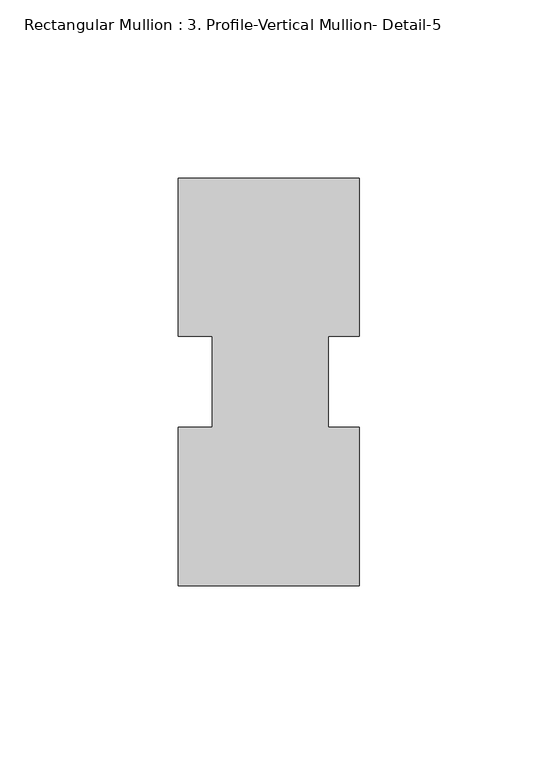
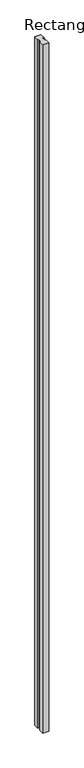
"""IFC4 building model written with IfcOpenShell, lengths in millimetres: member geometry, Rectangular Mullion : 3. Profile-Vertical Mullion- Detail-5."""

import ifcopenshell
import ifcopenshell.guid

model = None  # the IFC model being written
_history = None  # IfcOwnerHistory: only IFC2X3 demands one
_inside = {}  # id of a spatial element -> (the spatial element, [elements in it])
_under = {}  # id of a project, library or spatial element -> (it, [spatial elements below it])
_declared = {}  # id of a project -> (the project, [libraries it declares])
_typed = {}  # id of a type object -> (the type object, [elements of that type])
_made_of = {}  # id of a material, layer set ... -> (it, [elements and type objects made of it])


def new_model(schema):
    """Start an empty IFC model of exactly this schema.

    Asked for "IFC4X3", IfcOpenShell would pick the latest addendum, in which some entities
    have other attributes; the version numbers below select the first issue.
    IFC2X3 requires an IfcOwnerHistory on every rooted entity: one is made here for all.
    """
    global model, _history
    if schema == "IFC4X3":
        model = ifcopenshell.file(schema_version=(4, 3, 0, 0))
    else:
        model = ifcopenshell.file(schema=schema)
    _inside.clear()
    _under.clear()
    _declared.clear()
    _typed.clear()
    _made_of.clear()
    _history = None
    if model.schema == "IFC2X3":
        org = make("IfcOrganization", Name="unknown")
        user = make(
            "IfcPersonAndOrganization",
            ThePerson=make("IfcPerson", FamilyName="unknown"),
            TheOrganization=org,
        )
        app = make(
            "IfcApplication",
            ApplicationDeveloper=org,
            Version="unknown",
            ApplicationFullName="unknown",
            ApplicationIdentifier="unknown",
        )
        _history = make(
            "IfcOwnerHistory",
            OwningUser=user,
            OwningApplication=app,
            ChangeAction="ADDED",
            CreationDate=0,
        )
    return model


def make(cls, **values):
    """One entity of the class cls with the attributes given. An attribute that is None is left unset."""
    return model.create_entity(
        cls, **{name: value for name, value in values.items() if value is not None}
    )


def rooted(cls, **values):
    """An entity with a GlobalId (a new one), such as an element, a storey or a relation."""
    return make(cls, GlobalId=ifcopenshell.guid.new(), OwnerHistory=_history, **values)


def si_unit(unit_type, name, prefix=None):
    """IfcSIUnit, for example si_unit("LENGTHUNIT", "METRE", prefix="MILLI")."""
    return make("IfcSIUnit", UnitType=unit_type, Prefix=prefix, Name=name)


def assignment(units):
    """IfcUnitAssignment: the units of a project."""
    return None if units is None else make("IfcUnitAssignment", Units=units)


def point(xyz):
    """IfcCartesianPoint."""
    return None if xyz is None else make("IfcCartesianPoint", Coordinates=xyz)


def direction(xyz):
    """IfcDirection."""
    return None if xyz is None else make("IfcDirection", DirectionRatios=xyz)


def frame(location, z_axis=None, x_axis=None):
    """IfcAxis2Placement3D, a coordinate frame: its origin and axes. An axis left out is left unset."""
    return make(
        "IfcAxis2Placement3D",
        Location=point(location),
        Axis=direction(z_axis),
        RefDirection=direction(x_axis),
    )


def origin():
    """The frame at (0, 0, 0) with its axes left unset."""
    return frame((0.0, 0.0, 0.0))


def place(relative_to, where):
    """IfcLocalPlacement: puts the frame where relative to a parent placement (None: the world)."""
    return make(
        "IfcLocalPlacement", PlacementRelTo=relative_to, RelativePlacement=where
    )


def context(
    kind, dimensions, precision=None, world=None, true_north=None, identifier=None
):
    """IfcGeometricRepresentationContext, for example the 3D "Model" context."""
    return make(
        "IfcGeometricRepresentationContext",
        ContextIdentifier=identifier,
        ContextType=kind,
        CoordinateSpaceDimension=dimensions,
        Precision=precision,
        WorldCoordinateSystem=world,
        TrueNorth=true_north,
    )


def project(units=None, contexts=None):
    """IfcProject with its units and contexts."""
    return rooted(
        "IfcProject",
        Name="project",
        RepresentationContexts=contexts,
        UnitsInContext=assignment(units),
    )


def spatial(cls, under=None, at=None, **own):
    """A site, building, storey or space (cls), placed at a placement, below another one or the project."""
    s = rooted(cls, ObjectPlacement=at, **own)
    if under is not None:
        _under.setdefault(under.id(), (under, []))[1].append(s)
    return s


def polyline(points):
    """IfcPolyline through the points."""
    return make("IfcPolyline", Points=[point(p) for p in points])


def outline(outer, holes=None, kind="AREA"):
    """IfcArbitraryClosedProfileDef: a profile drawn as a closed curve; with holes, ...WithVoids."""
    if holes is None:
        return make("IfcArbitraryClosedProfileDef", ProfileType=kind, OuterCurve=outer)
    return make(
        "IfcArbitraryProfileDefWithVoids",
        ProfileType=kind,
        OuterCurve=outer,
        InnerCurves=holes,
    )


def extrude(swept, where, along, depth):
    """IfcExtrudedAreaSolid: the profile swept, set in the frame where, extruded along a direction by depth."""
    return make(
        "IfcExtrudedAreaSolid",
        SweptArea=swept,
        Position=where,
        ExtrudedDirection=direction(along),
        Depth=depth,
    )


def shape(context_of_items, identifier, shape_type, items):
    """IfcShapeRepresentation: the items that make up one representation, for example the "Body"."""
    return make(
        "IfcShapeRepresentation",
        ContextOfItems=context_of_items,
        RepresentationIdentifier=identifier,
        RepresentationType=shape_type,
        Items=items,
    )


def source(mapping_origin, context_of_items, identifier, shape_type, items):
    """IfcRepresentationMap: a shape defined once, which mapped items show again and again."""
    return make(
        "IfcRepresentationMap",
        MappingOrigin=mapping_origin,
        MappedRepresentation=shape(context_of_items, identifier, shape_type, items),
    )


def transform(
    local_origin,
    x_axis=None,
    y_axis=None,
    z_axis=None,
    scale=None,
    scale2=None,
    scale3=None,
    uniform=True,
):
    """IfcCartesianTransformationOperator3D, or its non-uniform kind. x_axis, y_axis, z_axis: its Axis1, 2, 3."""
    if uniform:
        return make(
            "IfcCartesianTransformationOperator3D",
            Axis1=direction(x_axis),
            Axis2=direction(y_axis),
            LocalOrigin=point(local_origin),
            Scale=scale,
            Axis3=direction(z_axis),
        )
    return make(
        "IfcCartesianTransformationOperator3DnonUniform",
        Axis1=direction(x_axis),
        Axis2=direction(y_axis),
        LocalOrigin=point(local_origin),
        Scale=scale,
        Axis3=direction(z_axis),
        Scale2=scale2,
        Scale3=scale3,
    )


def mapped(mapping_source, mapping_target):
    """IfcMappedItem: shows the shape of a source again, moved by a transform."""
    return make(
        "IfcMappedItem", MappingSource=mapping_source, MappingTarget=mapping_target
    )


def made_of(thing, what):
    """Note that an element or type object is made of a material, layer set ...; save() writes the relation."""
    if what is not None:
        _made_of.setdefault(what.id(), (what, []))[1].append(thing)
    return thing


def element(
    cls,
    number,
    at=None,
    inside=None,
    cuts=None,
    type_object=None,
    material=None,
    context=None,
    identifier="Body",
    shape_type=None,
    held_by="IfcProductDefinitionShape",
    body=None,
    shapes=None,
    **own,
):
    """One element of the class cls, such as IfcWall. Its Tag is "e" and its number.

    at: its placement. inside: the storey or other place that contains it. cuts: it is an
    opening in that element (IfcRelVoidsElement). A single representation is given by context,
    identifier, shape_type and body (its items); several are given by shapes. held_by: the class
    of the entity that holds the representations. save() writes the other relations.
    """
    e = rooted(cls, Tag="e%d" % number, ObjectPlacement=at, **own)
    if body is not None:
        shapes = [shape(context, identifier, shape_type, body)]
    if shapes is not None:
        e.Representation = make(held_by, Representations=shapes)
    if inside is not None:
        _inside.setdefault(inside.id(), (inside, []))[1].append(e)
    if cuts is not None:
        rooted(
            "IfcRelVoidsElement", RelatingBuildingElement=cuts, RelatedOpeningElement=e
        )
    if type_object is not None:
        _typed.setdefault(type_object.id(), (type_object, []))[1].append(e)
    return made_of(e, material)


def aggregate(whole, parts):
    """IfcRelAggregates: a whole, such as a stair, and the parts it consists of."""
    return rooted("IfcRelAggregates", RelatingObject=whole, RelatedObjects=parts)


def save(model, path):
    """Write the relations noted so far, then the file.

    IfcRelAggregates (storeys below a building ...), IfcRelContainedInSpatialStructure (elements
    in a storey), IfcRelDefinesByType, IfcRelAssociatesMaterial and IfcRelDeclares: one each for
    every whole, place, type object, material and project.
    """
    for whole, parts in _under.values():
        aggregate(whole, parts)
    for where, things in _inside.values():
        rooted(
            "IfcRelContainedInSpatialStructure",
            RelatedElements=things,
            RelatingStructure=where,
        )
    for kind, things in _typed.values():
        rooted("IfcRelDefinesByType", RelatedObjects=things, RelatingType=kind)
    for what, things in _made_of.values():
        rooted("IfcRelAssociatesMaterial", RelatedObjects=things, RelatingMaterial=what)
    for by, libraries in _declared.values():
        rooted("IfcRelDeclares", RelatingContext=by, RelatedDefinitions=libraries)
    model.write(path)


def rectangular_mullion_3_profile_vertical_mullion_detail_5_e0a02fe3(model_context):
    return source(origin(), model_context, "Body", "SweptSolid", [
        extrude(outline(polyline([(25.4, 33.3375317), (25.4, -11.0186583), (16.66875, -11.0186583), (16.66875, -36.5063567), (25.4, -36.5063567), (25.4, -80.9624683), (-25.4, -80.9623667), (-25.4, -36.5063567), (-15.875, -36.5063567), (-15.875, -11.0186583), (-25.4, -11.0186583), (-25.4, 33.3376333), (25.4, 33.3375317)])), frame((0.0, 0.0, -6114.6528525), z_axis=(0.0, 0.0, 1.0), x_axis=(1.0, 0.0, 0.0)), (0.0, 0.0, 1.0), 6114.6528525),
    ])


if __name__ == "__main__":
    model = new_model("IFC4")
    model_context = context("Model", 3, world=origin())
    ifc_project = project(units=[si_unit("LENGTHUNIT", "METRE", prefix="MILLI")], contexts=[model_context])
    site = spatial("IfcSite", under=ifc_project)
    building = spatial("IfcBuilding", under=site)
    placement = place(None, origin())
    rectangular_mullion_3_profile_vertical_mullion_detail_5_shape = rectangular_mullion_3_profile_vertical_mullion_detail_5_e0a02fe3(model_context)
    element("IfcMember", 1, ObjectType="Rectangular Mullion : 3. Profile-Vertical Mullion- Detail-5", at=placement, inside=building, context=model_context, shape_type="MappedRepresentation", body=[
        mapped(rectangular_mullion_3_profile_vertical_mullion_detail_5_shape, transform((0.0, 0.0, 0.0), x_axis=(1.0, 0.0, 0.0), y_axis=(0.0, 1.0, 0.0), z_axis=(0.0, 0.0, 1.0))),
    ])
    save(model, "model.ifc")
